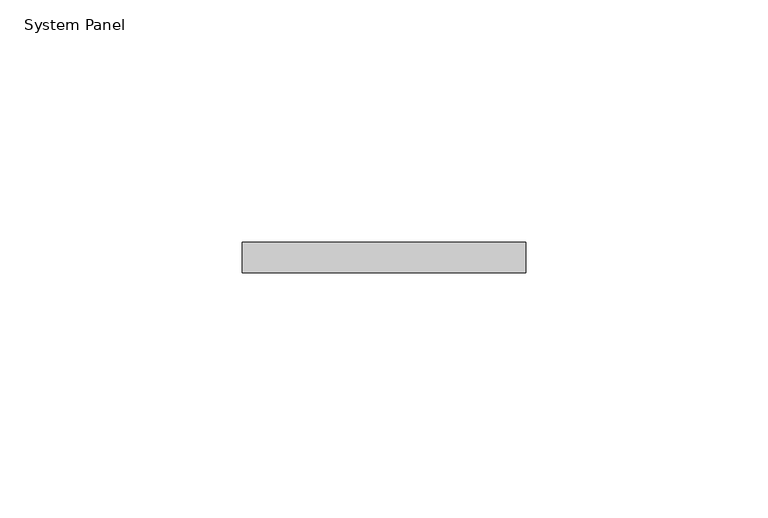
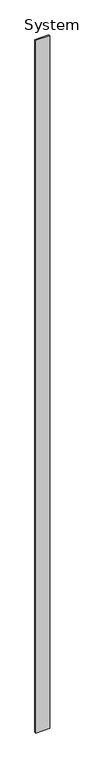
"""IFC4 building model written with IfcOpenShell, lengths in millimetres: plate geometry, System Panel."""

from ifc_helpers import new_model, si_unit, origin, origin_with_axes, place, context, project, spatial, polyline, outline, extrude, source, transform, mapped, element, save


def system_panel_9b36f258(model_context):
    return source(origin(), model_context, "Body", "SweptSolid", [
        extrude(outline(polyline([(29.2699645, -6.35), (-29.2699645, -6.35), (-29.2699645, 0.0), (29.2699645, 0.0), (29.2699645, -6.35)])), origin_with_axes(), (0.0, 0.0, 1.0), 3048.0),
    ])


if __name__ == "__main__":
    model = new_model("IFC4")
    model_context = context("Model", 3, world=origin())
    ifc_project = project(units=[si_unit("LENGTHUNIT", "METRE", prefix="MILLI")], contexts=[model_context])
    site = spatial("IfcSite", under=ifc_project)
    building = spatial("IfcBuilding", under=site)
    placement = place(None, origin())
    system_panel_shape = system_panel_9b36f258(model_context)
    element("IfcPlate", 1, ObjectType="System Panel", at=placement, inside=building, context=model_context, shape_type="MappedRepresentation", body=[
        mapped(system_panel_shape, transform((0.0, 0.0, 0.0), x_axis=(1.0, 0.0, 0.0), y_axis=(0.0, 1.0, 0.0), z_axis=(0.0, 0.0, 1.0))),
    ])
    save(model, "model.ifc")
